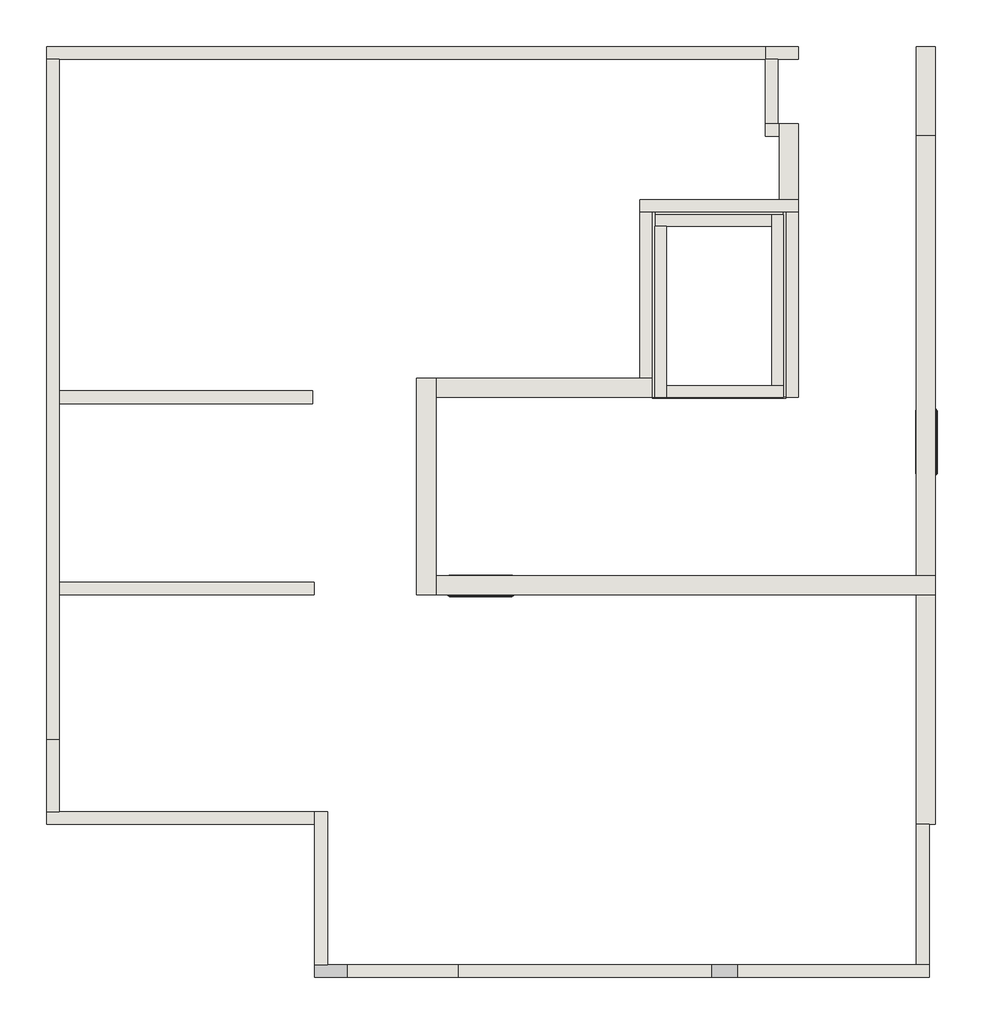
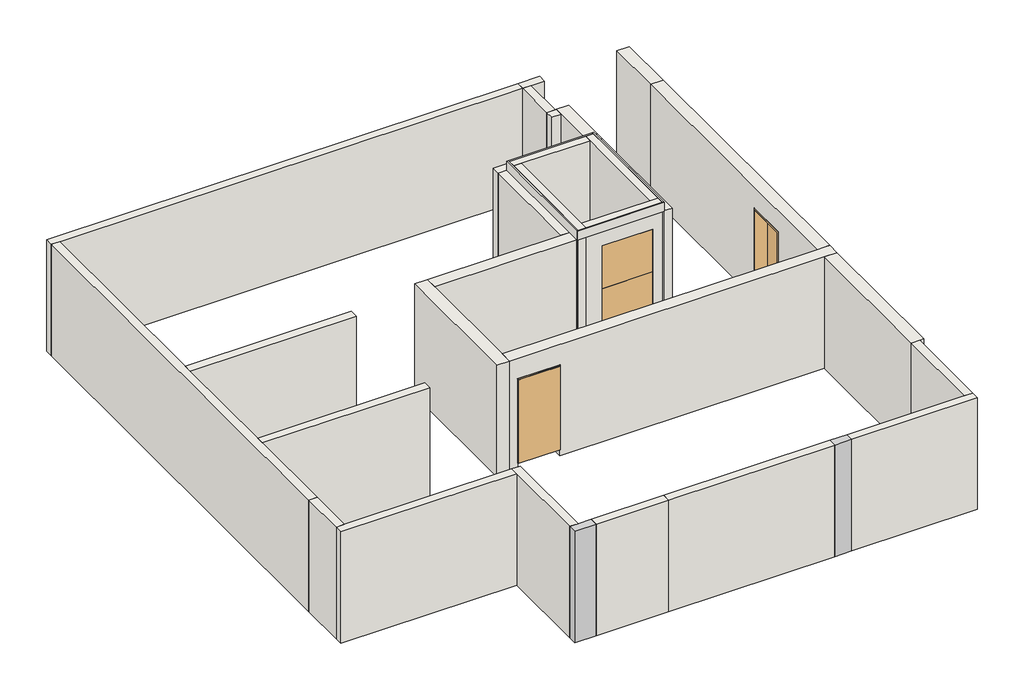
# Not in any storey: 32 walls, 3 doors, 2 columns.
"""IFC4 building model written with IfcOpenShell, lengths in millimetres."""

import ifcopenshell
import ifcopenshell.guid

model = None  # the IFC model being written
_history = None  # IfcOwnerHistory: only IFC2X3 demands one
_inside = {}  # id of a spatial element -> (the spatial element, [elements in it])
_under = {}  # id of a project, library or spatial element -> (it, [spatial elements below it])
_declared = {}  # id of a project -> (the project, [libraries it declares])
_typed = {}  # id of a type object -> (the type object, [elements of that type])
_made_of = {}  # id of a material, layer set ... -> (it, [elements and type objects made of it])


def new_model(schema):
    """Start an empty IFC model of exactly this schema.

    Asked for "IFC4X3", IfcOpenShell would pick the latest addendum, in which some entities
    have other attributes; the version numbers below select the first issue.
    IFC2X3 requires an IfcOwnerHistory on every rooted entity: one is made here for all.
    """
    global model, _history
    if schema == "IFC4X3":
        model = ifcopenshell.file(schema_version=(4, 3, 0, 0))
    else:
        model = ifcopenshell.file(schema=schema)
    _inside.clear()
    _under.clear()
    _declared.clear()
    _typed.clear()
    _made_of.clear()
    _history = None
    if model.schema == "IFC2X3":
        org = make("IfcOrganization", Name="unknown")
        user = make(
            "IfcPersonAndOrganization",
            ThePerson=make("IfcPerson", FamilyName="unknown"),
            TheOrganization=org,
        )
        app = make(
            "IfcApplication",
            ApplicationDeveloper=org,
            Version="unknown",
            ApplicationFullName="unknown",
            ApplicationIdentifier="unknown",
        )
        _history = make(
            "IfcOwnerHistory",
            OwningUser=user,
            OwningApplication=app,
            ChangeAction="ADDED",
            CreationDate=0,
        )
    return model


def make(cls, **values):
    """One entity of the class cls with the attributes given. An attribute that is None is left unset."""
    return model.create_entity(
        cls, **{name: value for name, value in values.items() if value is not None}
    )


def rooted(cls, **values):
    """An entity with a GlobalId (a new one), such as an element, a storey or a relation."""
    return make(cls, GlobalId=ifcopenshell.guid.new(), OwnerHistory=_history, **values)


def si_unit(unit_type, name, prefix=None):
    """IfcSIUnit, for example si_unit("LENGTHUNIT", "METRE", prefix="MILLI")."""
    return make("IfcSIUnit", UnitType=unit_type, Prefix=prefix, Name=name)


def assignment(units):
    """IfcUnitAssignment: the units of a project."""
    return None if units is None else make("IfcUnitAssignment", Units=units)


def point(xyz):
    """IfcCartesianPoint."""
    return None if xyz is None else make("IfcCartesianPoint", Coordinates=xyz)


def direction(xyz):
    """IfcDirection."""
    return None if xyz is None else make("IfcDirection", DirectionRatios=xyz)


def frame(location, z_axis=None, x_axis=None):
    """IfcAxis2Placement3D, a coordinate frame: its origin and axes. An axis left out is left unset."""
    return make(
        "IfcAxis2Placement3D",
        Location=point(location),
        Axis=direction(z_axis),
        RefDirection=direction(x_axis),
    )


def origin():
    """The frame at (0, 0, 0) with its axes left unset."""
    return frame((0.0, 0.0, 0.0))


def place(relative_to, where):
    """IfcLocalPlacement: puts the frame where relative to a parent placement (None: the world)."""
    return make(
        "IfcLocalPlacement", PlacementRelTo=relative_to, RelativePlacement=where
    )


def context(
    kind, dimensions, precision=None, world=None, true_north=None, identifier=None
):
    """IfcGeometricRepresentationContext, for example the 3D "Model" context."""
    return make(
        "IfcGeometricRepresentationContext",
        ContextIdentifier=identifier,
        ContextType=kind,
        CoordinateSpaceDimension=dimensions,
        Precision=precision,
        WorldCoordinateSystem=world,
        TrueNorth=true_north,
    )


def project(units=None, contexts=None):
    """IfcProject with its units and contexts."""
    return rooted(
        "IfcProject",
        Name="project",
        RepresentationContexts=contexts,
        UnitsInContext=assignment(units),
    )


def spatial(cls, under=None, at=None, **own):
    """A site, building, storey or space (cls), placed at a placement, below another one or the project."""
    s = rooted(cls, ObjectPlacement=at, **own)
    if under is not None:
        _under.setdefault(under.id(), (under, []))[1].append(s)
    return s


def polyline(points):
    """IfcPolyline through the points."""
    return make("IfcPolyline", Points=[point(p) for p in points])


def outline(outer, holes=None, kind="AREA"):
    """IfcArbitraryClosedProfileDef: a profile drawn as a closed curve; with holes, ...WithVoids."""
    if holes is None:
        return make("IfcArbitraryClosedProfileDef", ProfileType=kind, OuterCurve=outer)
    return make(
        "IfcArbitraryProfileDefWithVoids",
        ProfileType=kind,
        OuterCurve=outer,
        InnerCurves=holes,
    )


def extrude(swept, where, along, depth):
    """IfcExtrudedAreaSolid: the profile swept, set in the frame where, extruded along a direction by depth."""
    return make(
        "IfcExtrudedAreaSolid",
        SweptArea=swept,
        Position=where,
        ExtrudedDirection=direction(along),
        Depth=depth,
    )


def faces_of(points, faces, orient=None, outer=None):
    """IfcFace entities. A face is a list of loops; a loop is a list of indices into points, from 0.

    orient and outer hold one flag for each loop. By default every Orientation is true, the
    first loop of a face is its IfcFaceOuterBound and the others are IfcFaceBound.
    """
    made = []
    for i, loops in enumerate(faces):
        bounds = []
        for j, loop in enumerate(loops):
            is_outer = j == 0 if outer is None else outer[i][j]
            bounds.append(
                make(
                    "IfcFaceOuterBound" if is_outer else "IfcFaceBound",
                    Bound=make("IfcPolyLoop", Polygon=[points[k] for k in loop]),
                    Orientation=True if orient is None else orient[i][j],
                )
            )
        made.append(make("IfcFace", Bounds=bounds))
    return made


def faceted_brep(points, faces, orient=None, outer=None, voids=None):
    """IfcFacetedBrep: a solid bounded by flat faces; with voids (closed shells), ...WithVoids."""
    shared = [point(p) for p in points]
    hull = make("IfcClosedShell", CfsFaces=faces_of(shared, faces, orient, outer))
    if voids is None:
        return make("IfcFacetedBrep", Outer=hull)
    return make(
        "IfcFacetedBrepWithVoids",
        Outer=hull,
        Voids=[
            make(cls, CfsFaces=faces_of(shared, fs, o, b)) for cls, fs, o, b in voids
        ],
    )


def shape(context_of_items, identifier, shape_type, items):
    """IfcShapeRepresentation: the items that make up one representation, for example the "Body"."""
    return make(
        "IfcShapeRepresentation",
        ContextOfItems=context_of_items,
        RepresentationIdentifier=identifier,
        RepresentationType=shape_type,
        Items=items,
    )


def source(mapping_origin, context_of_items, identifier, shape_type, items):
    """IfcRepresentationMap: a shape defined once, which mapped items show again and again."""
    return make(
        "IfcRepresentationMap",
        MappingOrigin=mapping_origin,
        MappedRepresentation=shape(context_of_items, identifier, shape_type, items),
    )


def transform(
    local_origin,
    x_axis=None,
    y_axis=None,
    z_axis=None,
    scale=None,
    scale2=None,
    scale3=None,
    uniform=True,
):
    """IfcCartesianTransformationOperator3D, or its non-uniform kind. x_axis, y_axis, z_axis: its Axis1, 2, 3."""
    if uniform:
        return make(
            "IfcCartesianTransformationOperator3D",
            Axis1=direction(x_axis),
            Axis2=direction(y_axis),
            LocalOrigin=point(local_origin),
            Scale=scale,
            Axis3=direction(z_axis),
        )
    return make(
        "IfcCartesianTransformationOperator3DnonUniform",
        Axis1=direction(x_axis),
        Axis2=direction(y_axis),
        LocalOrigin=point(local_origin),
        Scale=scale,
        Axis3=direction(z_axis),
        Scale2=scale2,
        Scale3=scale3,
    )


def mapped(mapping_source, mapping_target):
    """IfcMappedItem: shows the shape of a source again, moved by a transform."""
    return make(
        "IfcMappedItem", MappingSource=mapping_source, MappingTarget=mapping_target
    )


def made_of(thing, what):
    """Note that an element or type object is made of a material, layer set ...; save() writes the relation."""
    if what is not None:
        _made_of.setdefault(what.id(), (what, []))[1].append(thing)
    return thing


def element(
    cls,
    number,
    at=None,
    inside=None,
    cuts=None,
    type_object=None,
    material=None,
    context=None,
    identifier="Body",
    shape_type=None,
    held_by="IfcProductDefinitionShape",
    body=None,
    shapes=None,
    **own,
):
    """One element of the class cls, such as IfcWall. Its Tag is "e" and its number.

    at: its placement. inside: the storey or other place that contains it. cuts: it is an
    opening in that element (IfcRelVoidsElement). A single representation is given by context,
    identifier, shape_type and body (its items); several are given by shapes. held_by: the class
    of the entity that holds the representations. save() writes the other relations.
    """
    e = rooted(cls, Tag="e%d" % number, ObjectPlacement=at, **own)
    if body is not None:
        shapes = [shape(context, identifier, shape_type, body)]
    if shapes is not None:
        e.Representation = make(held_by, Representations=shapes)
    if inside is not None:
        _inside.setdefault(inside.id(), (inside, []))[1].append(e)
    if cuts is not None:
        rooted(
            "IfcRelVoidsElement", RelatingBuildingElement=cuts, RelatedOpeningElement=e
        )
    if type_object is not None:
        _typed.setdefault(type_object.id(), (type_object, []))[1].append(e)
    return made_of(e, material)


def aggregate(whole, parts):
    """IfcRelAggregates: a whole, such as a stair, and the parts it consists of."""
    return rooted("IfcRelAggregates", RelatingObject=whole, RelatedObjects=parts)


def save(model, path):
    """Write the relations noted so far, then the file.

    IfcRelAggregates (storeys below a building ...), IfcRelContainedInSpatialStructure (elements
    in a storey), IfcRelDefinesByType, IfcRelAssociatesMaterial and IfcRelDeclares: one each for
    every whole, place, type object, material and project.
    """
    for whole, parts in _under.values():
        aggregate(whole, parts)
    for where, things in _inside.values():
        rooted(
            "IfcRelContainedInSpatialStructure",
            RelatedElements=things,
            RelatingStructure=where,
        )
    for kind, things in _typed.values():
        rooted("IfcRelDefinesByType", RelatedObjects=things, RelatingType=kind)
    for what, things in _made_of.values():
        rooted("IfcRelAssociatesMaterial", RelatedObjects=things, RelatingMaterial=what)
    for by, libraries in _declared.values():
        rooted("IfcRelDeclares", RelatingContext=by, RelatedDefinitions=libraries)
    model.write(path)


def door_1_01x2_135_15dd589a(model_context):
    return source(origin(), model_context, "Body", "Brep", [
        faceted_brep([(-492.5, -177.9346141, 177.5), (-479.5, -177.9346141, 177.5), (-479.5, -151.9346141, 177.5), (479.5, -151.9346141, 177.5), (479.5, -177.9346141, 177.5), (492.5, -177.9346141, 177.5), (492.5, -191.9346141, 177.5), (-492.5, -191.9346141, 177.5), (-492.5, -177.9346141, 2287.5), (-492.5, -191.9346141, 2287.5), (492.5, -191.9346141, 2287.5), (492.5, -177.9346141, 2287.5), (479.5, -177.9346141, 2274.5), (-479.5, -177.9346141, 2274.5), (479.5, -151.9346141, 2274.5), (-479.5, -151.9346141, 2274.5)], [[[0, 1, 2, 3, 4, 5, 6, 7]], [[8, 0, 7, 9]], [[9, 7, 6, 10]], [[10, 6, 5, 11]], [[11, 5, 4, 12, 13, 1, 0, 8]], [[12, 4, 3, 14]], [[14, 3, 2, 15]], [[15, 2, 1, 13]], [[8, 9, 10, 11]], [[15, 13, 12, 14]]]),
        faceted_brep([(513.0, -174.4346141, 170.0), (483.0, -174.4346141, 170.0), (483.0, -135.1086892, 170.0), (475.68192, -135.1086892, 170.0), (475.68192, -145.9346141, 170.0), (468.0, -145.9346141, 170.0), (468.0, 145.5653859, 170.0), (498.0, 145.5653859, 170.0), (498.0, 135.5653859, 170.0), (496.0, 135.5653859, 170.0), (496.0, 143.5653859, 170.0), (470.0, 143.5653859, 170.0), (470.0, -143.9346141, 170.0), (473.68192, -143.9346141, 170.0), (473.68192, -133.1086892, 170.0), (485.0, -133.1086892, 170.0), (485.0, -172.4346141, 170.0), (511.0, -172.4346141, 170.0), (511.0, -164.4346141, 170.0), (513.0, -164.4346141, 170.0), (513.0, -164.4346141, 2308.0), (513.0, -174.4346141, 2308.0), (511.0, -164.4346141, 2306.0), (-511.0, -164.4346141, 2306.0), (-511.0, -164.4346141, 170.0), (-513.0, -164.4346141, 170.0), (-513.0, -164.4346141, 2308.0), (511.0, -172.4346141, 2306.0), (485.0, -172.4346141, 2280.0), (-485.0, -172.4346141, 2280.0), (-485.0, -172.4346141, 170.0), (-511.0, -172.4346141, 170.0), (-511.0, -172.4346141, 2306.0), (485.0, -133.1086892, 2280.0), (473.68192, -133.1086892, 2268.68192), (-473.68192, -133.1086892, 2268.68192), (-473.68192, -133.1086892, 170.0), (-485.0, -133.1086892, 170.0), (-485.0, -133.1086892, 2280.0), (473.68192, -143.9346141, 2268.68192), (470.0, -143.9346141, 2265.0), (-470.0, -143.9346141, 2265.0), (-470.0, -143.9346141, 170.0), (-473.68192, -143.9346141, 170.0), (-473.68192, -143.9346141, 2268.68192), (470.0, 143.5653859, 2265.0), (496.0, 143.5653859, 2291.0), (-496.0, 143.5653859, 2291.0), (-496.0, 143.5653859, 170.0), (-470.0, 143.5653859, 170.0), (-470.0, 143.5653859, 2265.0), (496.0, 135.5653859, 2291.0), (498.0, 135.5653859, 2293.0), (-498.0, 135.5653859, 2293.0), (-498.0, 135.5653859, 170.0), (-496.0, 135.5653859, 170.0), (-496.0, 135.5653859, 2291.0), (498.0, 145.5653859, 2293.0), (468.0, 145.5653859, 2263.0), (-468.0, 145.5653859, 2263.0), (-468.0, 145.5653859, 170.0), (-498.0, 145.5653859, 170.0), (-498.0, 145.5653859, 2293.0), (468.0, -145.9346141, 2263.0), (475.68192, -145.9346141, 2270.68192), (-475.68192, -145.9346141, 2270.68192), (-475.68192, -145.9346141, 170.0), (-468.0, -145.9346141, 170.0), (-468.0, -145.9346141, 2263.0), (475.68192, -135.1086892, 2270.68192), (483.0, -135.1086892, 2278.0), (-483.0, -135.1086892, 2278.0), (-483.0, -135.1086892, 170.0), (-475.68192, -135.1086892, 170.0), (-475.68192, -135.1086892, 2270.68192), (483.0, -174.4346141, 2278.0), (-513.0, -174.4346141, 2308.0), (-513.0, -174.4346141, 170.0), (-483.0, -174.4346141, 170.0), (-483.0, -174.4346141, 2278.0)], [[[0, 1, 2, 3, 4, 5, 6, 7, 8, 9, 10, 11, 12, 13, 14, 15, 16, 17, 18, 19]], [[19, 20, 21, 0]], [[18, 22, 23, 24, 25, 26, 20, 19]], [[17, 27, 22, 18]], [[16, 28, 29, 30, 31, 32, 27, 17]], [[15, 33, 28, 16]], [[14, 34, 35, 36, 37, 38, 33, 15]], [[13, 39, 34, 14]], [[12, 40, 41, 42, 43, 44, 39, 13]], [[11, 45, 40, 12]], [[10, 46, 47, 48, 49, 50, 45, 11]], [[9, 51, 46, 10]], [[8, 52, 53, 54, 55, 56, 51, 9]], [[7, 57, 52, 8]], [[6, 58, 59, 60, 61, 62, 57, 7]], [[5, 63, 58, 6]], [[4, 64, 65, 66, 67, 68, 63, 5]], [[3, 69, 64, 4]], [[2, 70, 71, 72, 73, 74, 69, 3]], [[1, 75, 70, 2]], [[0, 21, 76, 77, 78, 79, 75, 1]], [[26, 25, 77, 76]], [[77, 25, 24, 31, 30, 37, 36, 43, 42, 49, 48, 55, 54, 61, 60, 67, 66, 73, 72, 78]], [[32, 31, 24, 23]], [[38, 37, 30, 29]], [[44, 43, 36, 35]], [[50, 49, 42, 41]], [[56, 55, 48, 47]], [[62, 61, 54, 53]], [[68, 67, 60, 59]], [[74, 73, 66, 65]], [[79, 78, 72, 71]], [[20, 26, 76, 21]], [[27, 32, 23, 22]], [[33, 38, 29, 28]], [[39, 44, 35, 34]], [[45, 50, 41, 40]], [[51, 56, 47, 46]], [[57, 62, 53, 52]], [[63, 68, 59, 58]], [[69, 74, 65, 64]], [[75, 79, 71, 70]]]),
    ])


def door_1_01x2_135_257a68d3(model_context):
    return source(origin(), model_context, "Body", "Brep", [
        faceted_brep([(-492.5, 177.9346141, 177.5), (-492.5, 191.9346141, 177.5), (492.5, 191.9346141, 177.5), (492.5, 177.9346141, 177.5), (479.5, 177.9346141, 177.5), (479.5, 151.9346141, 177.5), (-479.5, 151.9346141, 177.5), (-479.5, 177.9346141, 177.5), (-492.5, 177.9346141, 2287.5), (-492.5, 191.9346141, 2287.5), (492.5, 191.9346141, 2287.5), (492.5, 177.9346141, 2287.5), (-479.5, 177.9346141, 2274.5), (479.5, 177.9346141, 2274.5), (479.5, 151.9346141, 2274.5), (-479.5, 151.9346141, 2274.5)], [[[0, 1, 2, 3, 4, 5, 6, 7]], [[8, 9, 1, 0]], [[9, 10, 2, 1]], [[10, 11, 3, 2]], [[11, 8, 0, 7, 12, 13, 4, 3]], [[13, 14, 5, 4]], [[14, 15, 6, 5]], [[15, 12, 7, 6]], [[8, 11, 10, 9]], [[15, 14, 13, 12]]]),
        faceted_brep([(513.0, 174.4346141, 170.0), (513.0, 164.4346141, 170.0), (511.0, 164.4346141, 170.0), (511.0, 172.4346141, 170.0), (485.0, 172.4346141, 170.0), (485.0, 133.1086892, 170.0), (473.68192, 133.1086892, 170.0), (473.68192, 143.9346141, 170.0), (470.0, 143.9346141, 170.0), (470.0, -143.5653859, 170.0), (496.0, -143.5653859, 170.0), (496.0, -135.5653859, 170.0), (498.0, -135.5653859, 170.0), (498.0, -145.5653859, 170.0), (468.0, -145.5653859, 170.0), (468.0, 145.9346141, 170.0), (475.68192, 145.9346141, 170.0), (475.68192, 135.1086892, 170.0), (483.0, 135.1086892, 170.0), (483.0, 174.4346141, 170.0), (513.0, 174.4346141, 2308.0), (513.0, 164.4346141, 2308.0), (-513.0, 164.4346141, 2308.0), (-513.0, 164.4346141, 170.0), (-511.0, 164.4346141, 170.0), (-511.0, 164.4346141, 2306.0), (511.0, 164.4346141, 2306.0), (511.0, 172.4346141, 2306.0), (-511.0, 172.4346141, 2306.0), (-511.0, 172.4346141, 170.0), (-485.0, 172.4346141, 170.0), (-485.0, 172.4346141, 2280.0), (485.0, 172.4346141, 2280.0), (485.0, 133.1086892, 2280.0), (-485.0, 133.1086892, 2280.0), (-485.0, 133.1086892, 170.0), (-473.68192, 133.1086892, 170.0), (-473.68192, 133.1086892, 2268.68192), (473.68192, 133.1086892, 2268.68192), (473.68192, 143.9346141, 2268.68192), (-473.68192, 143.9346141, 2268.68192), (-473.68192, 143.9346141, 170.0), (-470.0, 143.9346141, 170.0), (-470.0, 143.9346141, 2265.0), (470.0, 143.9346141, 2265.0), (470.0, -143.5653859, 2265.0), (-470.0, -143.5653859, 2265.0), (-470.0, -143.5653859, 170.0), (-496.0, -143.5653859, 170.0), (-496.0, -143.5653859, 2291.0), (496.0, -143.5653859, 2291.0), (496.0, -135.5653859, 2291.0), (-496.0, -135.5653859, 2291.0), (-496.0, -135.5653859, 170.0), (-498.0, -135.5653859, 170.0), (-498.0, -135.5653859, 2293.0), (498.0, -135.5653859, 2293.0), (498.0, -145.5653859, 2293.0), (-498.0, -145.5653859, 2293.0), (-498.0, -145.5653859, 170.0), (-468.0, -145.5653859, 170.0), (-468.0, -145.5653859, 2263.0), (468.0, -145.5653859, 2263.0), (468.0, 145.9346141, 2263.0), (-468.0, 145.9346141, 2263.0), (-468.0, 145.9346141, 170.0), (-475.68192, 145.9346141, 170.0), (-475.68192, 145.9346141, 2270.68192), (475.68192, 145.9346141, 2270.68192), (475.68192, 135.1086892, 2270.68192), (-475.68192, 135.1086892, 2270.68192), (-475.68192, 135.1086892, 170.0), (-483.0, 135.1086892, 170.0), (-483.0, 135.1086892, 2278.0), (483.0, 135.1086892, 2278.0), (483.0, 174.4346141, 2278.0), (-483.0, 174.4346141, 2278.0), (-483.0, 174.4346141, 170.0), (-513.0, 174.4346141, 170.0), (-513.0, 174.4346141, 2308.0)], [[[0, 1, 2, 3, 4, 5, 6, 7, 8, 9, 10, 11, 12, 13, 14, 15, 16, 17, 18, 19]], [[1, 0, 20, 21]], [[2, 1, 21, 22, 23, 24, 25, 26]], [[3, 2, 26, 27]], [[4, 3, 27, 28, 29, 30, 31, 32]], [[5, 4, 32, 33]], [[6, 5, 33, 34, 35, 36, 37, 38]], [[7, 6, 38, 39]], [[8, 7, 39, 40, 41, 42, 43, 44]], [[9, 8, 44, 45]], [[10, 9, 45, 46, 47, 48, 49, 50]], [[11, 10, 50, 51]], [[12, 11, 51, 52, 53, 54, 55, 56]], [[13, 12, 56, 57]], [[14, 13, 57, 58, 59, 60, 61, 62]], [[15, 14, 62, 63]], [[16, 15, 63, 64, 65, 66, 67, 68]], [[17, 16, 68, 69]], [[18, 17, 69, 70, 71, 72, 73, 74]], [[19, 18, 74, 75]], [[0, 19, 75, 76, 77, 78, 79, 20]], [[22, 79, 78, 23]], [[78, 77, 72, 71, 66, 65, 60, 59, 54, 53, 48, 47, 42, 41, 36, 35, 30, 29, 24, 23]], [[28, 25, 24, 29]], [[34, 31, 30, 35]], [[40, 37, 36, 41]], [[46, 43, 42, 47]], [[52, 49, 48, 53]], [[58, 55, 54, 59]], [[64, 61, 60, 65]], [[70, 67, 66, 71]], [[76, 73, 72, 77]], [[21, 20, 79, 22]], [[27, 26, 25, 28]], [[33, 32, 31, 34]], [[39, 38, 37, 40]], [[45, 44, 43, 46]], [[51, 50, 49, 52]], [[57, 56, 55, 58]], [[63, 62, 61, 64]], [[69, 68, 67, 70]], [[75, 74, 73, 76]]]),
    ])


def door_1_20_x_2_28_1794ec5f(model_context):
    return source(origin(), model_context, "Body", "SweptSolid", [
        extrude(outline(polyline([(600.0, 104.4346141), (600.0, 84.4346141), (-600.0, 84.4346141), (-600.0, 104.4346141), (600.0, 104.4346141)])), frame((0.0, 0.0, 100.0), z_axis=(0.0, 0.0, 1.0), x_axis=(1.0, 0.0, 0.0)), (0.0, 0.0, 1.0), 1100.0),
        extrude(outline(polyline([(600.0, 104.4346141), (600.0, -75.5653859), (-600.0, -75.5653859), (-600.0, 104.4346141), (600.0, 104.4346141)])), frame((0.0, 0.0, -70.0), z_axis=(0.0, 0.0, 1.0), x_axis=(1.0, 0.0, 0.0)), (0.0, 0.0, 1.0), 2350.0),
    ])


model = new_model("IFC4")

# Units and contexts
model_context = context("Model", 3, world=origin())
ifc_project = project(units=[si_unit("LENGTHUNIT", "METRE", prefix="MILLI")], contexts=[model_context])

# Site, building
site = spatial("IfcSite", under=ifc_project)
building = spatial("IfcBuilding", under=site)

# Columns
placement = place(None, origin())
element("IfcColumn", 1, ObjectType="41.5x20_C45/55", at=placement, inside=building, context=model_context, shape_type="SweptSolid", body=[
    extrude(outline(polyline([(-31364.8547613, -27623.1908323), (-30949.8547613, -27623.1908323), (-30949.8547613, -27823.1908323), (-31364.8547613, -27823.1908323), (-31364.8547613, -27623.1908323)])), frame((0.0, 0.0, -170.0), z_axis=(0.0, 0.0, 1.0), x_axis=(1.0, 0.0, 0.0)), (0.0, 0.0, 1.0), 2820.0),
])
element("IfcColumn", 2, ObjectType="51.25x20_C45/55", at=placement, inside=building, context=model_context, shape_type="Brep", body=[
    faceted_brep([(-37587.3547626, -27623.1908323, 2650.0), (-37587.3547626, -27823.1908323, 2650.0), (-37074.8547626, -27823.1908323, 2650.0), (-37074.8547626, -27623.1908323, 2650.0), (-37387.3547626, -27623.1908323, 2650.0), (-37587.3547626, -27623.1908323, -170.0), (-37387.3547626, -27623.1908323, -170.0), (-37074.8547626, -27623.1908323, -170.0), (-37074.8547626, -27823.1908323, -170.0), (-37587.3547626, -27823.1908323, -170.0)], [[[0, 1, 2, 3, 4]], [[5, 6, 7, 8, 9]], [[1, 0, 5, 9]], [[2, 1, 9, 8]], [[3, 2, 8, 7]], [[0, 4, 3, 7, 6, 5]]]),
])

# Doors
door_1_01x2_135_shape = door_1_01x2_135_15dd589a(model_context)
element("IfcDoor", 3, ObjectType="1.01x2.135", at=placement, inside=building, context=model_context, shape_type="MappedRepresentation", body=[
    mapped(door_1_01x2_135_shape, transform((-28011.7893754, -19428.1908397, -170.0), x_axis=(0.0, 1.0, 0.0), y_axis=(-1.0, 0.0, 0.0), z_axis=(0.0, 0.0, 1.0))),
])
door_1_01x2_135_2_shape = door_1_01x2_135_257a68d3(model_context)
element("IfcDoor", 4, ObjectType="1.01x2.135", at=placement, inside=building, context=model_context, shape_type="MappedRepresentation", body=[
    mapped(door_1_01x2_135_2_shape, transform((-34982.3547535, -21658.7562256, -170.0), x_axis=(-1.0, 0.0, 0.0), y_axis=(0.0, -1.0, 0.0), z_axis=(0.0, 0.0, 1.0))),
])
door_1_20_x_2_28_shape = door_1_20_x_2_28_1794ec5f(model_context)
element("IfcDoor", 5, ObjectType="1.20 x 2.28", at=placement, inside=building, context=model_context, shape_type="MappedRepresentation", body=[
    mapped(door_1_20_x_2_28_shape, transform((-31067.3547613, -18618.7562256, 0.0), x_axis=(-1.0, 0.0, 0.0), y_axis=(0.0, -1.0, 0.0), z_axis=(0.0, 0.0, 1.0))),
])

# Walls
element("IfcWall", 6, at=placement, inside=building, context=model_context, shape_type="Brep", body=[
    faceted_brep([(-41797.3547626, -13423.1908397, -170.0), (-41597.3547626, -13423.1908397, -170.0), (-30520.3547613, -13423.1908397, -170.0), (-30520.3547613, -13423.1908397, 2650.0), (-41597.3547626, -13423.1908397, 2650.0), (-41797.3547626, -13423.1908397, 2650.0), (-41797.3547626, -13223.1908397, -170.0), (-41797.3547626, -13223.1908397, 2650.0), (-30520.3547613, -13223.1908397, 2650.0), (-30520.3547613, -13223.1908397, -170.0)], [[[0, 1, 2, 3, 4, 5]], [[6, 7, 8, 9]], [[2, 1, 0, 6, 9]], [[3, 2, 9, 8]], [[5, 4, 3, 8, 7]], [[0, 5, 7, 6]]]),
])
element("IfcWall", 7, at=placement, inside=building, context=model_context, shape_type="Brep", body=[
    faceted_brep([(-41597.3547626, -24095.4849217, -170.0), (-41597.3547626, -21823.1908397, -170.0), (-41597.3547626, -21623.1908397, -170.0), (-41597.3547626, -18823.1908397, -170.0), (-41597.3547626, -18623.1908397, -170.0), (-41597.3547626, -13423.1908397, -170.0), (-41597.3547626, -13423.1908397, 2650.0), (-41597.3547626, -18623.1908397, 2650.0), (-41597.3547626, -18823.1908397, 2650.0), (-41597.3547626, -21623.1908397, 2650.0), (-41597.3547626, -21823.1908397, 2650.0), (-41597.3547626, -24095.4849217, 2650.0), (-41797.3547626, -24095.4849217, -170.0), (-41797.3547626, -24095.4849217, 2650.0), (-41797.3547626, -13423.1908397, 2650.0), (-41797.3547626, -13423.1908397, -170.0)], [[[0, 1, 2, 3, 4, 5, 6, 7, 8, 9, 10, 11]], [[12, 13, 14, 15]], [[5, 4, 3, 2, 1, 0, 12, 15]], [[11, 10, 9, 8, 7, 6, 14, 13]], [[0, 11, 13, 12]], [[6, 5, 15, 14]]]),
])
element("IfcWall", 8, at=placement, inside=building, context=model_context, shape_type="SweptSolid", body=[
    extrude(outline(polyline([(-35342.3547626, -27823.1908323), (-37074.8547626, -27823.1908323), (-37074.8547626, -27623.1908323), (-35342.3547626, -27623.1908323), (-35342.3547626, -27823.1908323)])), frame((0.0, 0.0, -170.0), z_axis=(0.0, 0.0, 1.0), x_axis=(1.0, 0.0, 0.0)), (0.0, 0.0, 1.0), 2820.0),
])
element("IfcWall", 9, at=placement, inside=building, context=model_context, shape_type="Brep", body=[
    faceted_brep([(-35687.3547535, -21823.1908397, -170.0), (-35687.3547535, -21523.1908397, -170.0), (-35687.3547535, -18723.1908397, -170.0), (-35687.3547535, -18423.1908397, -170.0), (-35687.3547535, -18423.1908397, 2650.0), (-35687.3547535, -18723.1908397, 2650.0), (-35687.3547535, -21523.1908397, 2650.0), (-35687.3547535, -21823.1908397, 2650.0), (-35987.3547535, -21823.1908397, -170.0), (-35987.3547535, -21823.1908397, 2650.0), (-35987.3547535, -18423.1908397, 2650.0), (-35987.3547535, -18423.1908397, -170.0)], [[[0, 1, 2, 3, 4, 5, 6, 7]], [[8, 9, 10, 11]], [[3, 2, 1, 0, 8, 11]], [[7, 6, 5, 4, 10, 9]], [[4, 3, 11, 10]], [[0, 7, 9, 8]]]),
])
element("IfcWall", 10, at=placement, inside=building, context=model_context, shape_type="SweptSolid", body=[
    extrude(outline(polyline([(-35687.3547535, -18423.1908397), (-32287.3547613, -18423.1908397), (-32287.3547613, -18723.1908397), (-35687.3547535, -18723.1908397), (-35687.3547535, -18423.1908397)])), frame((0.0, 0.0, -170.0), z_axis=(0.0, 0.0, 1.0), x_axis=(1.0, 0.0, 0.0)), (0.0, 0.0, 1.0), 2820.0),
])
element("IfcWall", 11, at=placement, inside=building, context=model_context, shape_type="Brep", body=[
    faceted_brep([(-35487.3547535, -21523.1908397, 2135.0), (-35487.3547535, -21523.1908397, -170.0), (-35687.3547535, -21523.1908397, -170.0), (-35687.3547535, -21523.1908397, 2650.0), (-28147.3547613, -21523.1908397, 2650.0), (-27847.3547613, -21523.1908397, 2650.0), (-27847.3547613, -21523.1908397, -170.0), (-28147.3547613, -21523.1908397, -170.0), (-34477.3547535, -21523.1908397, -170.0), (-34477.3547535, -21523.1908397, 2135.0), (-35687.3547535, -21823.1908397, -170.0), (-35487.3547535, -21823.1908397, -170.0), (-35487.3547535, -21823.1908397, 2135.0), (-34477.3547535, -21823.1908397, 2135.0), (-34477.3547535, -21823.1908397, -170.0), (-28147.3547613, -21823.1908397, -170.0), (-27847.3547613, -21823.1908397, -170.0), (-27847.3547613, -21823.1908397, 2650.0), (-28147.3547613, -21823.1908397, 2650.0), (-35687.3547535, -21823.1908397, 2650.0)], [[[0, 1, 2, 3, 4, 5, 6, 7, 8, 9]], [[10, 11, 12, 13, 14, 15, 16, 17, 18, 19]], [[2, 1, 11, 10]], [[8, 7, 6, 16, 15, 14]], [[5, 4, 3, 19, 18, 17]], [[3, 2, 10, 19]], [[14, 13, 9, 8]], [[12, 11, 1, 0]], [[13, 12, 0, 9]], [[6, 5, 17, 16]]]),
])
element("IfcWall", 12, at=placement, inside=building, context=model_context, shape_type="Brep", body=[
    faceted_brep([(-27847.3547613, -25423.1908323, -170.0), (-27847.3547613, -21823.1908397, -170.0), (-27847.3547613, -21823.1908397, 2650.0), (-27847.3547613, -25423.1908323, 2650.0), (-28147.3547613, -25423.1908323, -170.0), (-28147.3547613, -25423.1908323, 2650.0), (-28147.3547613, -21823.1908397, 2650.0), (-28147.3547613, -21823.1908397, -170.0), (-27947.3547613, -25423.1908323, -170.0), (-27947.3547613, -25423.1908323, 2650.0)], [[[0, 1, 2, 3]], [[4, 5, 6, 7]], [[1, 0, 8, 4, 7]], [[3, 2, 6, 5, 9]], [[0, 3, 9, 5, 4, 8]], [[2, 1, 7, 6]]]),
])
element("IfcWall", 13, at=placement, inside=building, context=model_context, shape_type="Brep", body=[
    faceted_brep([(-29997.3547613, -15623.1908397, -170.0), (-29997.3547613, -14433.1908397, -170.0), (-29997.3547613, -14433.1908397, 2650.0), (-29997.3547613, -15623.1908397, 2650.0), (-30297.3547613, -15623.1908397, -170.0), (-30297.3547613, -15623.1908397, 2650.0), (-30297.3547613, -14633.1908397, 2650.0), (-30297.3547613, -14433.1908397, 2650.0), (-30297.3547613, -14433.1908397, -170.0), (-30297.3547613, -14633.1908397, -170.0)], [[[0, 1, 2, 3]], [[4, 5, 6, 7, 8, 9]], [[1, 0, 4, 9, 8]], [[2, 1, 8, 7]], [[3, 2, 7, 6, 5]], [[0, 3, 5, 4]]]),
])
element("IfcWall", 14, at=placement, inside=building, context=model_context, shape_type="SweptSolid", body=[
    extrude(outline(polyline([(-37597.3547626, -21823.1908397), (-41597.3547626, -21823.1908397), (-41597.3547626, -21623.1908397), (-37597.3547626, -21623.1908397), (-37597.3547626, -21823.1908397)])), frame((0.0, 0.0, -170.0), z_axis=(0.0, 0.0, 1.0), x_axis=(1.0, 0.0, 0.0)), (0.0, 0.0, 1.0), 2820.0),
])
element("IfcWall", 15, at=placement, inside=building, context=model_context, shape_type="SweptSolid", body=[
    extrude(outline(polyline([(-31364.8547613, -27823.1908323), (-35342.3547626, -27823.1908323), (-35342.3547626, -27623.1908323), (-31364.8547613, -27623.1908323), (-31364.8547613, -27823.1908323)])), frame((0.0, 0.0, -170.0), z_axis=(0.0, 0.0, 1.0), x_axis=(1.0, 0.0, 0.0)), (0.0, 0.0, 1.0), 2820.0),
])
element("IfcWall", 16, at=placement, inside=building, context=model_context, shape_type="Brep", body=[
    faceted_brep([(-30417.3547613, -15863.1908397, -170.0), (-32247.3547613, -15863.1908397, -170.0), (-32247.3547613, -15863.1908397, 2880.0), (-30417.3547613, -15863.1908397, 2880.0), (-30417.3547613, -16043.1908397, -170.0), (-30417.3547613, -16043.1908397, 2880.0), (-32067.3547613, -16043.1908397, 2880.0), (-32247.3547613, -16043.1908397, 2880.0), (-32247.3547613, -16043.1908397, -170.0), (-32067.3547613, -16043.1908397, -170.0)], [[[0, 1, 2, 3]], [[4, 5, 6, 7, 8, 9]], [[1, 0, 4, 9, 8]], [[3, 2, 7, 6, 5]], [[2, 1, 8, 7]], [[0, 3, 5, 4]]]),
])
element("IfcWall", 17, at=placement, inside=building, context=model_context, shape_type="Brep", body=[
    faceted_brep([(-32247.3547613, -16043.1908397, -170.0), (-32247.3547613, -18723.1908397, -170.0), (-32247.3547613, -18723.1908397, 2880.0), (-32247.3547613, -16043.1908397, 2880.0), (-32067.3547613, -16043.1908397, -170.0), (-32067.3547613, -16043.1908397, 2880.0), (-32067.3547613, -18543.1908397, 2880.0), (-32067.3547613, -18723.1908397, 2880.0), (-32067.3547613, -18723.1908397, -170.0), (-32067.3547613, -18543.1908397, -170.0)], [[[0, 1, 2, 3]], [[4, 5, 6, 7, 8, 9]], [[1, 0, 4, 9, 8]], [[3, 2, 7, 6, 5]], [[2, 1, 8, 7]], [[0, 3, 5, 4]]]),
])
element("IfcWall", 18, at=placement, inside=building, context=model_context, shape_type="Brep", body=[
    faceted_brep([(-32067.3547613, -18723.1908397, -170.0), (-30237.3547613, -18723.1908397, -170.0), (-30237.3547613, -18723.1908397, 2880.0), (-32067.3547613, -18723.1908397, 2880.0), (-31667.3547613, -18723.1908397, 2280.0), (-30467.3547613, -18723.1908397, 2280.0), (-30467.3547613, -18723.1908397, -70.0), (-31667.3547613, -18723.1908397, -70.0), (-30237.3547613, -18543.1908397, -170.0), (-30417.3547613, -18543.1908397, -170.0), (-32067.3547613, -18543.1908397, -170.0), (-32067.3547613, -18543.1908397, 2880.0), (-30417.3547613, -18543.1908397, 2880.0), (-30237.3547613, -18543.1908397, 2880.0), (-30467.3547613, -18543.1908397, 2280.0), (-31667.3547613, -18543.1908397, 2280.0), (-31667.3547613, -18543.1908397, -70.0), (-30467.3547613, -18543.1908397, -70.0)], [[[0, 1, 2, 3], [4, 5, 6, 7]], [[8, 9, 10, 11, 12, 13], [14, 15, 16, 17]], [[1, 0, 10, 9, 8]], [[3, 2, 13, 12, 11]], [[4, 15, 14, 5]], [[6, 17, 16, 7]], [[5, 14, 17, 6]], [[15, 4, 7, 16]], [[2, 1, 8, 13]], [[0, 3, 11, 10]]]),
])
element("IfcWall", 19, at=placement, inside=building, context=model_context, shape_type="Brep", body=[
    faceted_brep([(-30237.3547613, -18543.1908397, -170.0), (-30237.3547613, -15863.1908397, -170.0), (-30237.3547613, -15863.1908397, 2880.0), (-30237.3547613, -18543.1908397, 2880.0), (-30417.3547613, -18543.1908397, -170.0), (-30417.3547613, -18543.1908397, 2880.0), (-30417.3547613, -16043.1908397, 2880.0), (-30417.3547613, -15863.1908397, 2880.0), (-30417.3547613, -15863.1908397, -170.0), (-30417.3547613, -16043.1908397, -170.0)], [[[0, 1, 2, 3]], [[4, 5, 6, 7, 8, 9]], [[1, 0, 4, 9, 8]], [[3, 2, 7, 6, 5]], [[2, 1, 8, 7]], [[0, 3, 5, 4]]]),
])
element("IfcWall", 20, at=placement, inside=building, context=model_context, shape_type="Brep", body=[
    faceted_brep([(-29997.3547613, -15623.1908397, -170.0), (-32487.3547613, -15623.1908397, -170.0), (-32487.3547613, -15623.1908397, 2650.0), (-29997.3547613, -15623.1908397, 2650.0), (-29997.3547613, -15823.1908397, -170.0), (-29997.3547613, -15823.1908397, 2650.0), (-30197.3547613, -15823.1908397, 2650.0), (-32287.3547613, -15823.1908397, 2650.0), (-32487.3547613, -15823.1908397, 2650.0), (-32487.3547613, -15823.1908397, -170.0), (-32287.3547613, -15823.1908397, -170.0), (-30197.3547613, -15823.1908397, -170.0)], [[[0, 1, 2, 3]], [[4, 5, 6, 7, 8, 9, 10, 11]], [[1, 0, 4, 11, 10, 9]], [[3, 2, 8, 7, 6, 5]], [[0, 3, 5, 4]], [[2, 1, 9, 8]]]),
])
element("IfcWall", 21, at=placement, inside=building, context=model_context, shape_type="Brep", body=[
    faceted_brep([(-32287.3547613, -15823.1908397, -170.0), (-32287.3547613, -18723.1908397, -170.0), (-32287.3547613, -18723.1908397, 2880.0), (-32287.3547613, -15823.1908397, 2880.0), (-32247.3547613, -15823.1908397, -170.0), (-32247.3547613, -15823.1908397, 2880.0), (-32247.3547613, -15863.1908397, 2880.0), (-32247.3547613, -18723.1908397, 2880.0), (-32247.3547613, -18723.1908397, -170.0), (-32247.3547613, -15863.1908397, -170.0)], [[[0, 1, 2, 3]], [[4, 5, 6, 7, 8, 9]], [[1, 0, 4, 9, 8]], [[2, 1, 8, 7]], [[3, 2, 7, 6, 5]], [[0, 3, 5, 4]]]),
])
element("IfcWall", 22, at=placement, inside=building, context=model_context, shape_type="Brep", body=[
    faceted_brep([(-30237.3547613, -15823.1908397, -170.0), (-30237.3547613, -15863.1908397, -170.0), (-30237.3547613, -18723.1908397, -170.0), (-30237.3547613, -18723.1908397, 2880.0), (-30237.3547613, -15863.1908397, 2880.0), (-30237.3547613, -15823.1908397, 2880.0), (-30197.3547613, -15823.1908397, -170.0), (-30197.3547613, -15823.1908397, 2880.0), (-30197.3547613, -18723.1908397, 2880.0), (-30197.3547613, -18723.1908397, -170.0)], [[[0, 1, 2, 3, 4, 5]], [[6, 7, 8, 9]], [[2, 1, 0, 6, 9]], [[3, 2, 9, 8]], [[5, 4, 3, 8, 7]], [[0, 5, 7, 6]]]),
])
element("IfcWall", 23, at=placement, inside=building, context=model_context, shape_type="SweptSolid", body=[
    extrude(outline(polyline([(-32247.3547613, -15823.1908397), (-30237.3547613, -15823.1908397), (-30237.3547613, -15863.1908397), (-32247.3547613, -15863.1908397), (-32247.3547613, -15823.1908397)])), frame((0.0, 0.0, -170.0), z_axis=(0.0, 0.0, 1.0), x_axis=(1.0, 0.0, 0.0)), (0.0, 0.0, 1.0), 3050.0),
])
element("IfcWall", 24, at=placement, inside=building, context=model_context, shape_type="SweptSolid", body=[
    extrude(outline(polyline([(-29997.3547613, -15823.1908397), (-29997.3547613, -18723.1908397), (-30197.3547613, -18723.1908397), (-30197.3547613, -15823.1908397), (-29997.3547613, -15823.1908397)])), frame((0.0, 0.0, -170.0), z_axis=(0.0, 0.0, 1.0), x_axis=(1.0, 0.0, 0.0)), (0.0, 0.0, 1.0), 2820.0),
])
element("IfcWall", 25, at=placement, inside=building, context=model_context, shape_type="SweptSolid", body=[
    extrude(outline(polyline([(-32287.3547613, -15823.1908397), (-32287.3547613, -18423.1908397), (-32487.3547613, -18423.1908397), (-32487.3547613, -15823.1908397), (-32287.3547613, -15823.1908397)])), frame((0.0, 0.0, -170.0), z_axis=(0.0, 0.0, 1.0), x_axis=(1.0, 0.0, 0.0)), (0.0, 0.0, 1.0), 2820.0),
])
element("IfcWall", 26, at=placement, inside=building, context=model_context, shape_type="SweptSolid", body=[
    extrude(outline(polyline([(-32287.3547613, -18723.1908397), (-30197.3547613, -18723.1908397), (-30197.3547613, -18743.1908397), (-32287.3547613, -18743.1908397), (-32287.3547613, -18723.1908397)])), frame((0.0, 0.0, 2650.0), z_axis=(0.0, 0.0, 1.0), x_axis=(1.0, 0.0, 0.0)), (0.0, 0.0, 1.0), 230.0),
])
element("IfcWall", 27, at=placement, inside=building, context=model_context, shape_type="SweptSolid", body=[
    extrude(outline(polyline([(-30520.3547613, -14433.1908397), (-30520.3547613, -13423.1908397), (-30320.3547613, -13423.1908397), (-30320.3547613, -14433.1908397), (-30520.3547613, -14433.1908397)])), frame((0.0, 0.0, -170.0), z_axis=(0.0, 0.0, 1.0), x_axis=(1.0, 0.0, 0.0)), (0.0, 0.0, 1.0), 2820.0),
])
element("IfcWall", 28, at=placement, inside=building, context=model_context, shape_type="Brep", body=[
    faceted_brep([(-30297.3547613, -14433.1908397, -170.0), (-30320.3547613, -14433.1908397, -170.0), (-30520.3547613, -14433.1908397, -170.0), (-30520.3547613, -14433.1908397, 2650.0), (-30320.3547613, -14433.1908397, 2650.0), (-30297.3547613, -14433.1908397, 2650.0), (-30297.3547613, -14633.1908397, -170.0), (-30297.3547613, -14633.1908397, 2650.0), (-30520.3547613, -14633.1908397, 2650.0), (-30520.3547613, -14633.1908397, -170.0)], [[[0, 1, 2, 3, 4, 5]], [[6, 7, 8, 9]], [[2, 1, 0, 6, 9]], [[5, 4, 3, 8, 7]], [[3, 2, 9, 8]], [[0, 5, 7, 6]]]),
])
element("IfcWall", 29, at=placement, inside=building, context=model_context, shape_type="SweptSolid", body=[
    extrude(outline(polyline([(-27947.3547613, -25423.1908323), (-27947.3547613, -27623.1908323), (-28147.3547613, -27623.1908323), (-28147.3547613, -25423.1908323), (-27947.3547613, -25423.1908323)])), frame((0.0, 0.0, -170.0), z_axis=(0.0, 0.0, 1.0), x_axis=(1.0, 0.0, 0.0)), (0.0, 0.0, 1.0), 2820.0),
])
element("IfcWall", 30, at=placement, inside=building, context=model_context, shape_type="SweptSolid", body=[
    extrude(outline(polyline([(-37622.3547626, -18823.1908397), (-41597.3547626, -18823.1908397), (-41597.3547626, -18623.1908397), (-37622.3547626, -18623.1908397), (-37622.3547626, -18823.1908397)])), frame((0.0, 0.0, -170.0), z_axis=(0.0, 0.0, 1.0), x_axis=(1.0, 0.0, 0.0)), (0.0, 0.0, 1.0), 2820.0),
])
element("IfcWall", 31, at=placement, inside=building, context=model_context, shape_type="Brep", body=[
    faceted_brep([(-37587.3547626, -25223.1908323, -170.0), (-37587.3547626, -25423.1908323, -170.0), (-37587.3547626, -27623.1908323, -170.0), (-37587.3547626, -27623.1908323, 2650.0), (-37587.3547626, -25423.1908323, 2650.0), (-37587.3547626, -25223.1908323, 2650.0), (-37387.3547626, -25223.1908323, -170.0), (-37387.3547626, -25223.1908323, 2650.0), (-37387.3547626, -27623.1908323, 2650.0), (-37387.3547626, -27623.1908323, -170.0)], [[[0, 1, 2, 3, 4, 5]], [[6, 7, 8, 9]], [[2, 1, 0, 6, 9]], [[3, 2, 9, 8]], [[5, 4, 3, 8, 7]], [[0, 5, 7, 6]]]),
])
element("IfcWall", 32, at=placement, inside=building, context=model_context, shape_type="Brep", body=[
    faceted_brep([(-41797.3547626, -25423.1908323, -170.0), (-37587.3547626, -25423.1908323, -170.0), (-37587.3547626, -25423.1908323, 2650.0), (-41797.3547626, -25423.1908323, 2650.0), (-41797.3547626, -25223.1908323, -170.0), (-41797.3547626, -25223.1908323, 2650.0), (-41597.3547626, -25223.1908323, 2650.0), (-37587.3547626, -25223.1908323, 2650.0), (-37587.3547626, -25223.1908323, -170.0), (-41597.3547626, -25223.1908323, -170.0)], [[[0, 1, 2, 3]], [[4, 5, 6, 7, 8, 9]], [[1, 0, 4, 9, 8]], [[3, 2, 7, 6, 5]], [[2, 1, 8, 7]], [[0, 3, 5, 4]]]),
])
element("IfcWall", 33, at=placement, inside=building, context=model_context, shape_type="SweptSolid", body=[
    extrude(outline(polyline([(-41797.3547626, -25223.1908323), (-41797.3547626, -24095.4849217), (-41597.3547626, -24095.4849217), (-41597.3547626, -25223.1908323), (-41797.3547626, -25223.1908323)])), frame((0.0, 0.0, -170.0), z_axis=(0.0, 0.0, 1.0), x_axis=(1.0, 0.0, 0.0)), (0.0, 0.0, 1.0), 2820.0),
])
element("IfcWall", 34, at=placement, inside=building, context=model_context, shape_type="Brep", body=[
    faceted_brep([(-30949.8547613, -27823.1908323, -170.0), (-27947.3547613, -27823.1908323, -170.0), (-27947.3547613, -27823.1908323, 2650.0), (-30949.8547613, -27823.1908323, 2650.0), (-30949.8547613, -27623.1908323, -170.0), (-30949.8547613, -27623.1908323, 2650.0), (-28147.3547613, -27623.1908323, 2650.0), (-27947.3547613, -27623.1908323, 2650.0), (-27947.3547613, -27623.1908323, -170.0), (-28147.3547613, -27623.1908323, -170.0)], [[[0, 1, 2, 3]], [[4, 5, 6, 7, 8, 9]], [[1, 0, 4, 9, 8]], [[3, 2, 7, 6, 5]], [[0, 3, 5, 4]], [[2, 1, 8, 7]]]),
])
element("IfcWall", 35, at=placement, inside=building, context=model_context, shape_type="SweptSolid", body=[
    extrude(outline(polyline([(-27847.3547613, -13223.1908397), (-27847.3547613, -14623.1908397), (-28147.3547613, -14623.1908397), (-28147.3547613, -13223.1908397), (-27847.3547613, -13223.1908397)])), frame((0.0, 0.0, -170.0), z_axis=(0.0, 0.0, 1.0), x_axis=(1.0, 0.0, 0.0)), (0.0, 0.0, 1.0), 2820.0),
])
element("IfcWall", 36, at=placement, inside=building, context=model_context, shape_type="SweptSolid", body=[
    extrude(outline(polyline([(-14623.1908397, -170.0), (-18923.1908397, -170.0), (-18923.1908397, 2135.0), (-19933.1908397, 2135.0), (-19933.1908397, -170.0), (-21523.1908397, -170.0), (-21523.1908397, 2650.0), (-14623.1908397, 2650.0), (-14623.1908397, -170.0)])), frame((-28147.3547613, 0.0, 0.0), z_axis=(1.0, 0.0, 0.0), x_axis=(0.0, 1.0, 0.0)), (0.0, 0.0, 1.0), 300.0),
])
element("IfcWall", 37, at=placement, inside=building, context=model_context, shape_type="Brep", body=[
    faceted_brep([(-30520.3547613, -13423.1908397, -170.0), (-30320.3547613, -13423.1908397, -170.0), (-29997.3547613, -13423.1908397, -170.0), (-29997.3547613, -13423.1908397, 2650.0), (-30320.3547613, -13423.1908397, 2650.0), (-30520.3547613, -13423.1908397, 2650.0), (-30520.3547613, -13223.1908397, -170.0), (-30520.3547613, -13223.1908397, 2650.0), (-29997.3547613, -13223.1908397, 2650.0), (-29997.3547613, -13223.1908397, -170.0)], [[[0, 1, 2, 3, 4, 5]], [[6, 7, 8, 9]], [[2, 1, 0, 6, 9]], [[3, 2, 9, 8]], [[5, 4, 3, 8, 7]], [[0, 5, 7, 6]]]),
])

save(model, "model.ifc")
